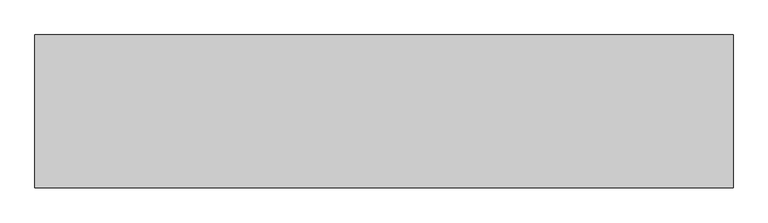
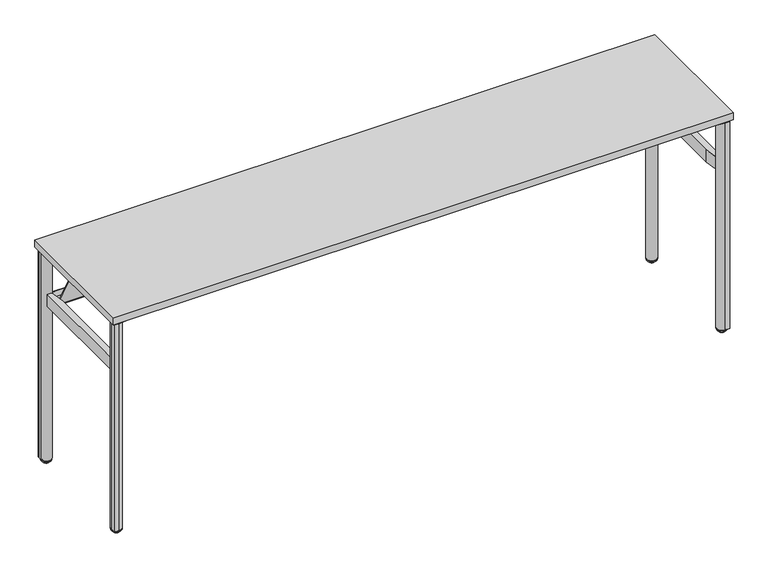
"""IFC4 building model written with IfcOpenShell, lengths in millimetres: furniture geometry."""

from ifc_helpers import new_model, si_unit, point, frame, frame_2d, origin, place, context, project, spatial, polyline, circle_curve, ellipse_curve, trimmed, segment, composite_curve, outline, extrude, source, transform, mapped, element, save
from ifc_brep_helpers import plane_surface, cylinder_surface, revolved_surface, advanced_brep


def furniture_6d40b69c(model_context):
    return source(origin(), model_context, "Body", "SolidModel", [
        extrude(outline(composite_curve([segment(polyline([(2292.1568228, -479.9277503), (2285.5453386, -404.358219)]), True, "CONTINUOUS"), segment(trimmed(circle_curve(frame_2d((2304.5228474, -402.6979004)), 19.05), [point((2285.5453386, -404.358219))], [point((2306.183166, -383.7203915))], False, "CARTESIAN"), True, "CONTINUOUS"), segment(polyline([(2306.183166, -383.7203915), (2383.8734847, -390.5174208)]), True, "CONTINUOUS"), segment(trimmed(circle_curve(frame_2d((2381.9818706, -412.1386457)), 21.7038146), [point((2383.8734847, -390.5174208))], [point((2397.328784, -396.7917301))], False, "CARTESIAN"), True, "CONTINUOUS"), segment(polyline([(2397.328784, -396.7917301), (2412.9562562, -412.4192001)]), True, "CONTINUOUS"), segment(trimmed(circle_curve(frame_2d((2391.9913269, -433.3841324)), 29.6488894), [point((2412.9562562, -412.4192001))], [point((2421.5273934, -430.8000615))], False, "CARTESIAN"), True, "CONTINUOUS"), segment(polyline([(2421.5273934, -430.8000615), (2427.9747643, -504.493852), (2427.9747643, -522.7148941)]), True, "CONTINUOUS"), segment(trimmed(circle_curve(frame_2d((2424.53984, -522.7148941)), 3.4349243), [point((2427.9747643, -522.7148941))], [point((2424.53984, -526.1498184))], False, "CARTESIAN"), True, "CONTINUOUS"), segment(polyline([(2424.53984, -526.1498184), (2406.3188055, -526.1498184), (2333.3868378, -519.7690978)]), True, "CONTINUOUS"), segment(trimmed(circle_curve(frame_2d((2336.1540328, -488.1399162)), 31.75), [point((2333.3868378, -519.7690978))], [point((2313.7033893, -510.5905533))], False, "CARTESIAN"), True, "CONTINUOUS"), segment(polyline([(2313.7033893, -510.5905533), (2300.1220271, -497.0091873)]), True, "CONTINUOUS"), segment(trimmed(circle_curve(frame_2d((2319.6048647, -477.5263553)), 27.5528892), [point((2300.1220271, -497.0091873))], [point((2292.1568228, -479.9277503))], False, "CARTESIAN"), True, "CONTINUOUS")], self_intersect=False)), frame((0.0, 0.0, 876.8852114), z_axis=(0.0, 0.0, 1.0), x_axis=(1.0, 0.0, 0.0)), (0.0, 0.0, 1.0), 7.924807),
        extrude(outline(composite_curve([segment(trimmed(circle_curve(frame_2d((115.624494, -477.5263553)), 27.5528892), [point((143.0725359, -479.9277503))], [point((135.1073315, -497.0091873))], False, "CARTESIAN"), True, "CONTINUOUS"), segment(polyline([(135.1073315, -497.0091873), (121.5259694, -510.5905533)]), True, "CONTINUOUS"), segment(trimmed(circle_curve(frame_2d((99.0753259, -488.1399162)), 31.75), [point((121.5259694, -510.5905533))], [point((101.8425208, -519.7690978))], False, "CARTESIAN"), True, "CONTINUOUS"), segment(polyline([(101.8425208, -519.7690978), (28.9105532, -526.1498184), (10.6895187, -526.1498184)]), True, "CONTINUOUS"), segment(trimmed(circle_curve(frame_2d((10.6895187, -522.7148941)), 3.4349243), [point((10.6895187, -526.1498184))], [point((7.2545944, -522.7148941))], False, "CARTESIAN"), True, "CONTINUOUS"), segment(polyline([(7.2545944, -522.7148941), (7.2545944, -504.493852), (13.7019653, -430.8000615)]), True, "CONTINUOUS"), segment(trimmed(circle_curve(frame_2d((43.2380317, -433.3841324)), 29.6488894), [point((13.7019653, -430.8000615))], [point((22.2731025, -412.4192001))], False, "CARTESIAN"), True, "CONTINUOUS"), segment(polyline([(22.2731025, -412.4192001), (37.9005747, -396.7917301)]), True, "CONTINUOUS"), segment(trimmed(circle_curve(frame_2d((53.2474881, -412.1386457)), 21.7038146), [point((37.9005747, -396.7917301))], [point((51.355874, -390.5174208))], False, "CARTESIAN"), True, "CONTINUOUS"), segment(polyline([(51.355874, -390.5174208), (129.0461926, -383.7203915)]), True, "CONTINUOUS"), segment(trimmed(circle_curve(frame_2d((130.7065113, -402.6979004)), 19.05), [point((129.0461926, -383.7203915))], [point((149.6840201, -404.358219))], False, "CARTESIAN"), True, "CONTINUOUS"), segment(polyline([(149.6840201, -404.358219), (143.0725359, -479.9277503)]), True, "CONTINUOUS")], self_intersect=False)), frame((0.0, 0.0, 876.8852114), z_axis=(0.0, 0.0, 1.0), x_axis=(1.0, 0.0, 0.0)), (0.0, 0.0, 1.0), 7.924807),
        extrude(outline(composite_curve([segment(trimmed(circle_curve(frame_2d((2319.6048647, -55.8736689)), 27.5528892), [point((2292.1568228, -53.4722739))], [point((2300.1220271, -36.3908369))], False, "CARTESIAN"), True, "CONTINUOUS"), segment(polyline([(2300.1220271, -36.3908369), (2313.7033893, -22.8094709)]), True, "CONTINUOUS"), segment(trimmed(circle_curve(frame_2d((2336.1540328, -45.260108)), 31.75), [point((2313.7033893, -22.8094709))], [point((2333.3868378, -13.6309264))], False, "CARTESIAN"), True, "CONTINUOUS"), segment(polyline([(2333.3868378, -13.6309264), (2406.3188055, -7.2502058), (2424.53984, -7.2502058)]), True, "CONTINUOUS"), segment(trimmed(circle_curve(frame_2d((2424.53984, -10.6851301)), 3.4349243), [point((2424.53984, -7.2502058))], [point((2427.9747643, -10.6851301))], False, "CARTESIAN"), True, "CONTINUOUS"), segment(polyline([(2427.9747643, -10.6851301), (2427.9747643, -28.9061722), (2421.5273934, -102.5999627)]), True, "CONTINUOUS"), segment(trimmed(circle_curve(frame_2d((2391.9913269, -100.0158919)), 29.6488894), [point((2421.5273934, -102.5999627))], [point((2412.9562562, -120.9808241))], False, "CARTESIAN"), True, "CONTINUOUS"), segment(polyline([(2412.9562562, -120.9808241), (2397.328784, -136.6082941)]), True, "CONTINUOUS"), segment(trimmed(circle_curve(frame_2d((2381.9818706, -121.2613785)), 21.7038146), [point((2397.328784, -136.6082941))], [point((2383.8734847, -142.8826034))], False, "CARTESIAN"), True, "CONTINUOUS"), segment(polyline([(2383.8734847, -142.8826034), (2306.183166, -149.6796327)]), True, "CONTINUOUS"), segment(trimmed(circle_curve(frame_2d((2304.5228474, -130.7021238)), 19.05), [point((2306.183166, -149.6796327))], [point((2285.5453386, -129.0418052))], False, "CARTESIAN"), True, "CONTINUOUS"), segment(polyline([(2285.5453386, -129.0418052), (2292.1568228, -53.4722739)]), True, "CONTINUOUS")], self_intersect=False)), frame((0.0, 0.0, 876.8852114), z_axis=(0.0, 0.0, 1.0), x_axis=(1.0, 0.0, 0.0)), (0.0, 0.0, 1.0), 7.924807),
        extrude(outline(composite_curve([segment(polyline([(143.0725359, -53.4722739), (149.6840201, -129.0418052)]), True, "CONTINUOUS"), segment(trimmed(circle_curve(frame_2d((130.7065113, -130.7021238)), 19.05), [point((149.6840201, -129.0418052))], [point((129.0461926, -149.6796327))], False, "CARTESIAN"), True, "CONTINUOUS"), segment(polyline([(129.0461926, -149.6796327), (51.355874, -142.8826034)]), True, "CONTINUOUS"), segment(trimmed(circle_curve(frame_2d((53.2474881, -121.2613785)), 21.7038146), [point((51.355874, -142.8826034))], [point((37.9005747, -136.6082941))], False, "CARTESIAN"), True, "CONTINUOUS"), segment(polyline([(37.9005747, -136.6082941), (22.2731025, -120.9808241)]), True, "CONTINUOUS"), segment(trimmed(circle_curve(frame_2d((43.2380317, -100.0158919)), 29.6488894), [point((22.2731025, -120.9808241))], [point((13.7019653, -102.5999627))], False, "CARTESIAN"), True, "CONTINUOUS"), segment(polyline([(13.7019653, -102.5999627), (7.2545944, -28.9061722), (7.2545944, -10.6851301)]), True, "CONTINUOUS"), segment(trimmed(circle_curve(frame_2d((10.6895187, -10.6851301)), 3.4349243), [point((7.2545944, -10.6851301))], [point((10.6895187, -7.2502058))], False, "CARTESIAN"), True, "CONTINUOUS"), segment(polyline([(10.6895187, -7.2502058), (28.9105532, -7.2502058), (101.8425208, -13.6309264)]), True, "CONTINUOUS"), segment(trimmed(circle_curve(frame_2d((99.0753259, -45.260108)), 31.75), [point((101.8425208, -13.6309264))], [point((121.5259694, -22.8094709))], False, "CARTESIAN"), True, "CONTINUOUS"), segment(polyline([(121.5259694, -22.8094709), (135.1073315, -36.3908369)]), True, "CONTINUOUS"), segment(trimmed(circle_curve(frame_2d((115.624494, -55.8736689)), 27.5528892), [point((135.1073315, -36.3908369))], [point((143.0725359, -53.4722739))], False, "CARTESIAN"), True, "CONTINUOUS")], self_intersect=False)), frame((0.0, 0.0, 876.8852114), z_axis=(0.0, 0.0, 1.0), x_axis=(1.0, 0.0, 0.0)), (0.0, 0.0, 1.0), 7.924807),
        extrude(outline(polyline([(2392.0459026, -13.0340961), (2392.0459026, -42.1423405), (46.3540974, -42.1423405), (46.3540974, -13.0340961), (2392.0459026, -13.0340961)])), frame((0.0, 0.0, 658.6141836), z_axis=(0.0, 0.0, 1.0), x_axis=(1.0, 0.0, 0.0)), (0.0, 0.0, 1.0), 2.0300117),
        extrude(outline(polyline([(2392.0459026, -13.0340961), (2292.1208473, -13.0340961), (2292.1208473, -11.0002063), (2392.0459026, -11.0002063), (2392.0459026, -13.0340961)])), frame((0.0, 0.0, 658.6141836), z_axis=(0.0, 0.0, 1.0), x_axis=(1.0, 0.0, 0.0)), (0.0, 0.0, 1.0), 25.4000242),
        extrude(outline(polyline([(143.1040921, -13.0340961), (46.3540974, -13.0340961), (46.3540974, -11.0002063), (143.1040921, -11.0002063), (143.1040921, -13.0340961)])), frame((0.0, 0.0, 658.6141836), z_axis=(0.0, 0.0, 1.0), x_axis=(1.0, 0.0, 0.0)), (0.0, 0.0, 1.0), 25.4000242),
        extrude(outline(polyline([(2231.427459, -13.0340961), (1255.1124882, -13.0340961), (1255.1124882, -11.0002063), (2231.427459, -11.0002063), (2231.427459, -13.0340961)])), frame((0.0, 0.0, 658.6141836), z_axis=(0.0, 0.0, 1.0), x_axis=(1.0, 0.0, 0.0)), (0.0, 0.0, 1.0), 22.9947931),
        extrude(outline(polyline([(1180.1124876, -13.0340961), (203.7974987, -13.0340961), (203.7974987, -11.0002063), (1180.1124876, -11.0002063), (1180.1124876, -13.0340961)])), frame((0.0, 0.0, 658.6141836), z_axis=(0.0, 0.0, 1.0), x_axis=(1.0, 0.0, 0.0)), (0.0, 0.0, 1.0), 22.9947931),
        extrude(outline(composite_curve([segment(polyline([(-70.8799912, 670.6281944), (-183.9643808, 883.3090199), (-204.4150118, 883.3090199), (-204.4150118, 884.8100183), (-183.0636133, 884.8100183), (-69.4765949, 671.1843836)]), True, "CONTINUOUS"), segment(trimmed(circle_curve(frame_2d((-47.0497371, 683.1089821)), 25.4), [point((-69.4765949, 671.1843836))], [point((-47.0497371, 657.7089821))], True, "CARTESIAN"), True, "CONTINUOUS"), segment(polyline([(-47.0497371, 657.7089821), (-28.0002031, 657.7089821), (-28.0002031, 656.209001), (-46.8824246, 656.209001)]), True, "CONTINUOUS"), segment(trimmed(circle_curve(frame_2d((-46.8824246, 683.3879256)), 27.1789246), [point((-46.8824246, 656.209001))], [point((-70.8799912, 670.6281944))], False, "CARTESIAN"), True, "CONTINUOUS")], self_intersect=False)), frame((46.3540974, 0.0, 0.0), z_axis=(1.0, 0.0, 0.0), x_axis=(0.0, 1.0, 0.0)), (0.0, 0.0, 1.0), 2345.6918052),
        extrude(outline(polyline([(2417.4459034, -47.9435406), (2417.4459034, -485.4564594), (2400.221242, -485.4564594), (2392.0459026, -424.9957325), (2392.0459026, -108.4254144), (2400.2241015, -47.9435406), (2417.4459034, -47.9435406)])), frame((0.0, 0.0, 658.6141836), z_axis=(0.0, 0.0, 1.0), x_axis=(1.0, 0.0, 0.0)), (0.0, 0.0, 1.0), 50.8),
        extrude(outline(polyline([(20.9540966, -47.9435406), (38.1758985, -47.9435406), (46.3540974, -108.4254144), (46.3540974, -424.9957325), (38.178758, -485.4564594), (20.9540966, -485.4564594), (20.9540966, -47.9435406)])), frame((0.0, 0.0, 658.6141836), z_axis=(0.0, 0.0, 1.0), x_axis=(1.0, 0.0, 0.0)), (0.0, 0.0, 1.0), 50.8),
        advanced_brep(
        [(2407.2247953, -485.4197975, 12.8144714), (2407.2247953, -525.3711213, 12.8144714), (2407.2247953, -520.426826, 7.8701761), (2407.2247953, -490.3640928, 7.8701761), (2407.2247953, -519.4011418, 7.8701761), (2407.2247953, -491.389777, 7.8701761), (2407.2247953, -519.4011418, 7.0593297), (2407.2247953, -491.389777, 7.0593297), (2407.2247953, -517.5595987, 2.623811), (2407.2247953, -493.23132, 2.623811), (2407.2247953, -515.1818837, 0.2460959), (2407.2247953, -495.6090351, 0.2460959), (2407.2247953, -514.2634411, 0.0), (2407.2247953, -496.5274776, 0.0), (2407.2247953, -505.3954594, 0.0), (2407.2247953, -505.3954594, 15.24), (2407.2247953, -525.3711213, 15.24), (2407.2247953, -485.4197975, 15.24)],
        [
            (0, 1, circle_curve(frame((2407.2247953, -505.3954594, 12.8144714), z_axis=(0.0, 0.0, -1.0), x_axis=(0.0, -1.0, 0.0)), 19.9756619)),
            (1, 2, circle_curve(frame((2407.2247953, -520.426826, 12.8144714), z_axis=(1.0, 0.0, 0.0), x_axis=(0.0, 1.0, 0.0)), 4.9442953)),
            (2, 3, circle_curve(frame((2407.2247953, -505.3954594, 7.8701761), z_axis=(0.0, 0.0, 1.0), x_axis=(0.0, -1.0, 0.0)), 15.0313666)),
            (3, 0, circle_curve(frame((2407.2247953, -490.3640928, 12.8144714), z_axis=(1.0, 0.0, 0.0), x_axis=(0.0, -1.0, 0.0)), 4.9442953)),
            (1, 0, circle_curve(frame((2407.2247953, -505.3954594, 12.8144714), z_axis=(0.0, 0.0, -1.0), x_axis=(0.0, -1.0, 0.0)), 19.9756619)),
            (3, 2, circle_curve(frame((2407.2247953, -505.3954594, 7.8701761), z_axis=(0.0, 0.0, 1.0), x_axis=(0.0, -1.0, 0.0)), 15.0313666)),
            (2, 4),
            (4, 5, circle_curve(frame((2407.2247953, -505.3954594, 7.8701761), z_axis=(0.0, 0.0, 1.0), x_axis=(0.0, -1.0, 0.0)), 14.0056824)),
            (5, 3),
            (5, 4, circle_curve(frame((2407.2247953, -505.3954594, 7.8701761), z_axis=(0.0, 0.0, 1.0), x_axis=(0.0, -1.0, 0.0)), 14.0056824)),
            (4, 6),
            (6, 7, circle_curve(frame((2407.2247953, -505.3954594, 7.0593297), z_axis=(0.0, 0.0, 1.0), x_axis=(0.0, -1.0, 0.0)), 14.0056824)),
            (7, 5),
            (7, 6, circle_curve(frame((2407.2247953, -505.3954594, 7.0593297), z_axis=(0.0, 0.0, 1.0), x_axis=(0.0, -1.0, 0.0)), 14.0056824)),
            (6, 8),
            (8, 9, circle_curve(frame((2407.2247953, -505.3954594, 2.623811), z_axis=(0.0, 0.0, 1.0), x_axis=(0.0, -1.0, 0.0)), 12.1641393)),
            (9, 7),
            (9, 8, circle_curve(frame((2407.2247953, -505.3954594, 2.623811), z_axis=(0.0, 0.0, 1.0), x_axis=(0.0, -1.0, 0.0)), 12.1641393)),
            (8, 10),
            (10, 11, circle_curve(frame((2407.2247953, -505.3954594, 0.2460959), z_axis=(0.0, 0.0, 1.0), x_axis=(0.0, -1.0, 0.0)), 9.7864243)),
            (11, 9),
            (11, 10, circle_curve(frame((2407.2247953, -505.3954594, 0.2460959), z_axis=(0.0, 0.0, 1.0), x_axis=(0.0, -1.0, 0.0)), 9.7864243)),
            (10, 12),
            (12, 13, circle_curve(frame((2407.2247953, -505.3954594, 0.0), z_axis=(0.0, 0.0, 1.0), x_axis=(0.0, -1.0, 0.0)), 8.8679818)),
            (13, 11),
            (13, 12, circle_curve(frame((2407.2247953, -505.3954594, 0.0), z_axis=(0.0, 0.0, 1.0), x_axis=(0.0, -1.0, 0.0)), 8.8679818)),
            (12, 14),
            (14, 13),
            (15, 16),
            (16, 17, circle_curve(frame((2407.2247953, -505.3954594, 15.24), z_axis=(0.0, 0.0, 1.0), x_axis=(0.0, -1.0, 0.0)), 19.9756619)),
            (17, 15),
            (17, 16, circle_curve(frame((2407.2247953, -505.3954594, 15.24), z_axis=(0.0, 0.0, 1.0), x_axis=(0.0, -1.0, 0.0)), 19.9756619)),
            (16, 1),
            (0, 17),
        ],
        [
            revolved_surface(trimmed(ellipse_curve(frame((2407.2247953, -520.426826, 12.8144714), z_axis=(-1.0, 0.0, 0.0), x_axis=(0.0, 1.0, 0.0)), 4.9442953, 4.9442953), [point((2407.2247953, -520.426826, 7.8701761))], [point((2407.2247953, -525.3711213, 12.8144714))], True, "CARTESIAN"), (2407.2247953, -505.3954594, 40.64), (0.0, 0.0, 1.0)),
            plane_surface(frame((2407.2247953, -505.3954594, 7.8701761), z_axis=(0.0, 0.0, -1.0), x_axis=(0.0, -1.0, 0.0))),
            cylinder_surface(frame((2407.2247953, -505.3954594, 40.64), z_axis=(0.0, 0.0, 1.0), x_axis=(0.0, -1.0, 0.0)), 14.0056824),
            revolved_surface(polyline([(2407.2247953, -517.5595987, 2.623811), (2407.2247953, -519.4011418, 7.0593297)]), (2407.2247953, -505.3954594, 40.64), (0.0, 0.0, 1.0)),
            revolved_surface(polyline([(2407.2247953, -515.1818837, 0.2460959), (2407.2247953, -517.5595987, 2.623811)]), (2407.2247953, -505.3954594, 40.64), (0.0, 0.0, 1.0)),
            revolved_surface(polyline([(2407.2247953, -514.2634411, 0.0), (2407.2247953, -515.1818837, 0.2460959)]), (2407.2247953, -505.3954594, 40.64), (0.0, 0.0, 1.0)),
            plane_surface(frame((2407.2247953, -505.3954594, 0.0), z_axis=(0.0, 0.0, -1.0), x_axis=(0.0, -1.0, 0.0))),
            plane_surface(frame((2407.2247953, -505.3954594, 15.24), z_axis=(0.0, 0.0, 1.0), x_axis=(0.0, -1.0, 0.0))),
            cylinder_surface(frame((2407.2247953, -505.3954594, 40.64), z_axis=(0.0, 0.0, 1.0), x_axis=(0.0, -1.0, 0.0)), 19.9756619),
        ],
        [
            (0, [[1, 2, 3, 4]]),
            (0, [[5, -4, 6, -2]]),
            (1, [[-3, 7, 8, 9]]),
            (1, [[-6, -9, 10, -7]]),
            (2, [[-8, 11, 12, 13]]),
            (2, [[-10, -13, 14, -11]]),
            (3, [[-12, 15, 16, 17]]),
            (3, [[-14, -17, 18, -15]]),
            (4, [[-16, 19, 20, 21]]),
            (4, [[-18, -21, 22, -19]]),
            (5, [[-20, 23, 24, 25]]),
            (5, [[-22, -25, 26, -23]]),
            (6, [[-24, 27, 28]]),
            (6, [[-26, -28, -27]]),
            (7, [[29, 30, 31]]),
            (7, [[-31, 32, -29]]),
            (8, [[-30, 33, -1, 34]]),
            (8, [[-32, -34, -5, -33]]),
        ],
    ),
        advanced_brep(
        [(27.9796875, -490.3640928, 7.8701761), (27.9796875, -520.426826, 7.8701761), (27.9796875, -525.3711213, 12.8144714), (27.9796875, -485.4197975, 12.8144714), (27.9796875, -491.389777, 7.8701761), (27.9796875, -519.4011418, 7.8701761), (27.9796875, -491.389777, 7.0593297), (27.9796875, -519.4011418, 7.0593297), (27.9796875, -493.23132, 2.623811), (27.9796875, -517.5595987, 2.623811), (27.9796875, -495.6090351, 0.2460959), (27.9796875, -515.1818837, 0.2460959), (27.9796875, -496.5274776, 0.0), (27.9796875, -514.2634411, 0.0), (27.9796875, -505.3954594, 0.0), (27.9796875, -485.4197975, 15.24), (27.9796875, -525.3711213, 15.24), (27.9796875, -505.3954594, 15.24)],
        [
            (0, 1, circle_curve(frame((27.9796875, -505.3954594, 7.8701761), z_axis=(0.0, 0.0, 1.0), x_axis=(0.0, -1.0, 0.0)), 15.0313666)),
            (1, 2, circle_curve(frame((27.9796875, -520.426826, 12.8144714), z_axis=(-1.0, 0.0, 0.0), x_axis=(0.0, 1.0, 0.0)), 4.9442953)),
            (2, 3, circle_curve(frame((27.9796875, -505.3954594, 12.8144714), z_axis=(0.0, 0.0, -1.0), x_axis=(0.0, -1.0, 0.0)), 19.9756619)),
            (3, 0, circle_curve(frame((27.9796875, -490.3640928, 12.8144714), z_axis=(-1.0, 0.0, 0.0), x_axis=(0.0, -1.0, 0.0)), 4.9442953)),
            (1, 0, circle_curve(frame((27.9796875, -505.3954594, 7.8701761), z_axis=(0.0, 0.0, 1.0), x_axis=(0.0, -1.0, 0.0)), 15.0313666)),
            (3, 2, circle_curve(frame((27.9796875, -505.3954594, 12.8144714), z_axis=(0.0, 0.0, -1.0), x_axis=(0.0, -1.0, 0.0)), 19.9756619)),
            (4, 5, circle_curve(frame((27.9796875, -505.3954594, 7.8701761), z_axis=(0.0, 0.0, 1.0), x_axis=(0.0, -1.0, 0.0)), 14.0056824)),
            (5, 1),
            (0, 4),
            (5, 4, circle_curve(frame((27.9796875, -505.3954594, 7.8701761), z_axis=(0.0, 0.0, 1.0), x_axis=(0.0, -1.0, 0.0)), 14.0056824)),
            (6, 7, circle_curve(frame((27.9796875, -505.3954594, 7.0593297), z_axis=(0.0, 0.0, 1.0), x_axis=(0.0, -1.0, 0.0)), 14.0056824)),
            (7, 5),
            (4, 6),
            (7, 6, circle_curve(frame((27.9796875, -505.3954594, 7.0593297), z_axis=(0.0, 0.0, 1.0), x_axis=(0.0, -1.0, 0.0)), 14.0056824)),
            (8, 9, circle_curve(frame((27.9796875, -505.3954594, 2.623811), z_axis=(0.0, 0.0, 1.0), x_axis=(0.0, -1.0, 0.0)), 12.1641393)),
            (9, 7),
            (6, 8),
            (9, 8, circle_curve(frame((27.9796875, -505.3954594, 2.623811), z_axis=(0.0, 0.0, 1.0), x_axis=(0.0, -1.0, 0.0)), 12.1641393)),
            (10, 11, circle_curve(frame((27.9796875, -505.3954594, 0.2460959), z_axis=(0.0, 0.0, 1.0), x_axis=(0.0, -1.0, 0.0)), 9.7864243)),
            (11, 9),
            (8, 10),
            (11, 10, circle_curve(frame((27.9796875, -505.3954594, 0.2460959), z_axis=(0.0, 0.0, 1.0), x_axis=(0.0, -1.0, 0.0)), 9.7864243)),
            (12, 13, circle_curve(frame((27.9796875, -505.3954594, 0.0), z_axis=(0.0, 0.0, 1.0), x_axis=(0.0, -1.0, 0.0)), 8.8679818)),
            (13, 11),
            (10, 12),
            (13, 12, circle_curve(frame((27.9796875, -505.3954594, 0.0), z_axis=(0.0, 0.0, 1.0), x_axis=(0.0, -1.0, 0.0)), 8.8679818)),
            (14, 13),
            (12, 14),
            (15, 16, circle_curve(frame((27.9796875, -505.3954594, 15.24), z_axis=(0.0, 0.0, 1.0), x_axis=(0.0, -1.0, 0.0)), 19.9756619)),
            (16, 17),
            (17, 15),
            (16, 15, circle_curve(frame((27.9796875, -505.3954594, 15.24), z_axis=(0.0, 0.0, 1.0), x_axis=(0.0, -1.0, 0.0)), 19.9756619)),
            (2, 16),
            (15, 3),
        ],
        [
            revolved_surface(trimmed(ellipse_curve(frame((27.9796875, -520.426826, 12.8144714), z_axis=(1.0, 0.0, 0.0), x_axis=(0.0, 1.0, 0.0)), 4.9442953, 4.9442953), [point((27.9796875, -525.3711213, 12.8144714))], [point((27.9796875, -520.426826, 7.8701761))], True, "CARTESIAN"), (27.9796875, -505.3954594, 40.64), (0.0, 0.0, -1.0)),
            plane_surface(frame((27.9796875, -505.3954594, 7.8701761), z_axis=(0.0, 0.0, -1.0), x_axis=(0.0, -1.0, 0.0))),
            cylinder_surface(frame((27.9796875, -505.3954594, 40.64), z_axis=(0.0, 0.0, -1.0), x_axis=(0.0, -1.0, 0.0)), 14.0056824),
            revolved_surface(polyline([(27.9796875, -519.4011418, 7.0593297), (27.9796875, -517.5595987, 2.623811)]), (27.9796875, -505.3954594, 40.64), (0.0, 0.0, -1.0)),
            revolved_surface(polyline([(27.9796875, -517.5595987, 2.623811), (27.9796875, -515.1818837, 0.2460959)]), (27.9796875, -505.3954594, 40.64), (0.0, 0.0, -1.0)),
            revolved_surface(polyline([(27.9796875, -515.1818837, 0.2460959), (27.9796875, -514.2634411, 0.0)]), (27.9796875, -505.3954594, 40.64), (0.0, 0.0, -1.0)),
            plane_surface(frame((27.9796875, -505.3954594, 0.0), z_axis=(0.0, 0.0, -1.0), x_axis=(0.0, -1.0, 0.0))),
            plane_surface(frame((27.9796875, -505.3954594, 15.24), z_axis=(0.0, 0.0, 1.0), x_axis=(0.0, -1.0, 0.0))),
            cylinder_surface(frame((27.9796875, -505.3954594, 40.64), z_axis=(0.0, 0.0, -1.0), x_axis=(0.0, -1.0, 0.0)), 19.9756619),
        ],
        [
            (0, [[1, 2, 3, 4]]),
            (0, [[5, -4, 6, -2]]),
            (1, [[7, 8, -1, 9]]),
            (1, [[10, -9, -5, -8]]),
            (2, [[11, 12, -7, 13]]),
            (2, [[14, -13, -10, -12]]),
            (3, [[15, 16, -11, 17]]),
            (3, [[18, -17, -14, -16]]),
            (4, [[19, 20, -15, 21]]),
            (4, [[22, -21, -18, -20]]),
            (5, [[23, 24, -19, 25]]),
            (5, [[26, -25, -22, -24]]),
            (6, [[27, -23, 28]]),
            (6, [[-28, -26, -27]]),
            (7, [[29, 30, 31]]),
            (7, [[32, -31, -30]]),
            (8, [[-3, 33, -29, 34]]),
            (8, [[-6, -34, -32, -33]]),
        ],
    ),
        advanced_brep(
        [(2387.2120074, -27.9300781, 12.7759073), (2427.2127953, -27.9300781, 12.7759073), (2422.3070641, -27.9300781, 7.8701761), (2392.1177386, -27.9300781, 7.8701761), (2421.2840387, -27.9300781, 7.8701761), (2393.140764, -27.9300781, 7.8701761), (2421.2840387, -27.9300781, 7.0593297), (2393.140764, -27.9300781, 7.0593297), (2419.4012727, -27.9300781, 2.623811), (2395.02353, -27.9300781, 2.623811), (2417.0235576, -27.9300781, 0.2460959), (2397.401245, -27.9300781, 0.2460959), (2416.1051151, -27.9300781, 0.0), (2398.3196875, -27.9300781, 0.0), (2407.2124013, -27.9300781, 0.0), (2407.2124013, -27.9300781, 15.24), (2427.2127953, -27.9300781, 15.24), (2387.2120074, -27.9300781, 15.24)],
        [
            (0, 1, circle_curve(frame((2407.2124013, -27.9300781, 12.7759073), z_axis=(0.0, 0.0, -1.0), x_axis=(1.0, 0.0, 0.0)), 20.0003939)),
            (1, 2, circle_curve(frame((2422.3070641, -27.9300781, 12.7759073), z_axis=(0.0, 1.0, 0.0), x_axis=(-1.0, 0.0, 0.0)), 4.9057312)),
            (2, 3, circle_curve(frame((2407.2124013, -27.9300781, 7.8701761), z_axis=(0.0, 0.0, 1.0), x_axis=(1.0, 0.0, 0.0)), 15.0946628)),
            (3, 0, circle_curve(frame((2392.1177386, -27.9300781, 12.7759073), z_axis=(0.0, 1.0, 0.0), x_axis=(1.0, 0.0, 0.0)), 4.9057312)),
            (1, 0, circle_curve(frame((2407.2124013, -27.9300781, 12.7759073), z_axis=(0.0, 0.0, -1.0), x_axis=(1.0, 0.0, 0.0)), 20.0003939)),
            (3, 2, circle_curve(frame((2407.2124013, -27.9300781, 7.8701761), z_axis=(0.0, 0.0, 1.0), x_axis=(1.0, 0.0, 0.0)), 15.0946628)),
            (2, 4),
            (4, 5, circle_curve(frame((2407.2124013, -27.9300781, 7.8701761), z_axis=(0.0, 0.0, 1.0), x_axis=(1.0, 0.0, 0.0)), 14.0716373)),
            (5, 3),
            (5, 4, circle_curve(frame((2407.2124013, -27.9300781, 7.8701761), z_axis=(0.0, 0.0, 1.0), x_axis=(1.0, 0.0, 0.0)), 14.0716373)),
            (4, 6),
            (6, 7, circle_curve(frame((2407.2124013, -27.9300781, 7.0593297), z_axis=(0.0, 0.0, 1.0), x_axis=(1.0, 0.0, 0.0)), 14.0716373)),
            (7, 5),
            (7, 6, circle_curve(frame((2407.2124013, -27.9300781, 7.0593297), z_axis=(0.0, 0.0, 1.0), x_axis=(1.0, 0.0, 0.0)), 14.0716373)),
            (6, 8),
            (8, 9, circle_curve(frame((2407.2124013, -27.9300781, 2.623811), z_axis=(0.0, 0.0, 1.0), x_axis=(1.0, 0.0, 0.0)), 12.1888713)),
            (9, 7),
            (9, 8, circle_curve(frame((2407.2124013, -27.9300781, 2.623811), z_axis=(0.0, 0.0, 1.0), x_axis=(1.0, 0.0, 0.0)), 12.1888713)),
            (8, 10),
            (10, 11, circle_curve(frame((2407.2124013, -27.9300781, 0.2460959), z_axis=(0.0, 0.0, 1.0), x_axis=(1.0, 0.0, 0.0)), 9.8111563)),
            (11, 9),
            (11, 10, circle_curve(frame((2407.2124013, -27.9300781, 0.2460959), z_axis=(0.0, 0.0, 1.0), x_axis=(1.0, 0.0, 0.0)), 9.8111563)),
            (10, 12),
            (12, 13, circle_curve(frame((2407.2124013, -27.9300781, 0.0), z_axis=(0.0, 0.0, 1.0), x_axis=(1.0, 0.0, 0.0)), 8.8927138)),
            (13, 11),
            (13, 12, circle_curve(frame((2407.2124013, -27.9300781, 0.0), z_axis=(0.0, 0.0, 1.0), x_axis=(1.0, 0.0, 0.0)), 8.8927138)),
            (12, 14),
            (14, 13),
            (15, 16),
            (16, 17, circle_curve(frame((2407.2124013, -27.9300781, 15.24), z_axis=(0.0, 0.0, 1.0), x_axis=(1.0, 0.0, 0.0)), 20.0003939)),
            (17, 15),
            (17, 16, circle_curve(frame((2407.2124013, -27.9300781, 15.24), z_axis=(0.0, 0.0, 1.0), x_axis=(1.0, 0.0, 0.0)), 20.0003939)),
            (16, 1),
            (0, 17),
        ],
        [
            revolved_surface(trimmed(ellipse_curve(frame((2422.3070641, -27.9300781, 12.7759073), z_axis=(0.0, -1.0, 0.0), x_axis=(-1.0, 0.0, 0.0)), 4.9057312, 4.9057312), [point((2422.3070641, -27.9300781, 7.8701761))], [point((2427.2127953, -27.9300781, 12.7759073))], True, "CARTESIAN"), (2407.2124013, -27.9300781, -11.2120944), (0.0, 0.0, 1.0)),
            plane_surface(frame((2407.2124013, -27.9300781, 7.8701761), z_axis=(0.0, 0.0, -1.0), x_axis=(1.0, 0.0, 0.0))),
            cylinder_surface(frame((2407.2124013, -27.9300781, -11.2120944), z_axis=(0.0, 0.0, 1.0), x_axis=(1.0, 0.0, 0.0)), 14.0716373),
            revolved_surface(polyline([(2419.4012727, -27.9300781, 2.623811), (2421.2840387, -27.9300781, 7.0593297)]), (2407.2124013, -27.9300781, -11.2120944), (0.0, 0.0, 1.0)),
            revolved_surface(polyline([(2417.0235576, -27.9300781, 0.2460959), (2419.4012727, -27.9300781, 2.623811)]), (2407.2124013, -27.9300781, -11.2120944), (0.0, 0.0, 1.0)),
            revolved_surface(polyline([(2416.1051151, -27.9300781, 0.0), (2417.0235576, -27.9300781, 0.2460959)]), (2407.2124013, -27.9300781, -11.2120944), (0.0, 0.0, 1.0)),
            plane_surface(frame((2407.2124013, -27.9300781, 0.0), z_axis=(0.0, 0.0, -1.0), x_axis=(1.0, 0.0, 0.0))),
            plane_surface(frame((2407.2124013, -27.9300781, 15.24), z_axis=(0.0, 0.0, 1.0), x_axis=(1.0, 0.0, 0.0))),
            cylinder_surface(frame((2407.2124013, -27.9300781, -11.2120944), z_axis=(0.0, 0.0, 1.0), x_axis=(1.0, 0.0, 0.0)), 20.0003939),
        ],
        [
            (0, [[1, 2, 3, 4]]),
            (0, [[5, -4, 6, -2]]),
            (1, [[-3, 7, 8, 9]]),
            (1, [[-6, -9, 10, -7]]),
            (2, [[-8, 11, 12, 13]]),
            (2, [[-10, -13, 14, -11]]),
            (3, [[-12, 15, 16, 17]]),
            (3, [[-14, -17, 18, -15]]),
            (4, [[-16, 19, 20, 21]]),
            (4, [[-18, -21, 22, -19]]),
            (5, [[-20, 23, 24, 25]]),
            (5, [[-22, -25, 26, -23]]),
            (6, [[-24, 27, 28]]),
            (6, [[-26, -28, -27]]),
            (7, [[29, 30, 31]]),
            (7, [[-31, 32, -29]]),
            (8, [[-30, 33, -1, 34]]),
            (8, [[-32, -34, -5, -33]]),
        ],
    ),
        advanced_brep(
        [(43.0948591, -27.9300781, 7.8701761), (12.9055336, -27.9300781, 7.8701761), (7.9998024, -27.9300781, 12.7759073), (48.0005903, -27.9300781, 12.7759073), (42.0718337, -27.9300781, 7.8701761), (13.928559, -27.9300781, 7.8701761), (42.0718337, -27.9300781, 7.0593297), (13.928559, -27.9300781, 7.0593297), (40.1890677, -27.9300781, 2.623811), (15.811325, -27.9300781, 2.623811), (37.8113526, -27.9300781, 0.2460959), (18.18904, -27.9300781, 0.2460959), (36.8929101, -27.9300781, 0.0), (19.1074826, -27.9300781, 0.0), (28.0001963, -27.9300781, 0.0), (48.0005903, -27.9300781, 15.24), (7.9998024, -27.9300781, 15.24), (28.0001963, -27.9300781, 15.24)],
        [
            (0, 1, circle_curve(frame((28.0001963, -27.9300781, 7.8701761), z_axis=(0.0, 0.0, 1.0), x_axis=(-1.0, 0.0, 0.0)), 15.0946628)),
            (1, 2, circle_curve(frame((12.9055336, -27.9300781, 12.7759073), z_axis=(0.0, 1.0, 0.0), x_axis=(1.0, 0.0, 0.0)), 4.9057312)),
            (2, 3, circle_curve(frame((28.0001963, -27.9300781, 12.7759073), z_axis=(0.0, 0.0, -1.0), x_axis=(-1.0, 0.0, 0.0)), 20.0003939)),
            (3, 0, circle_curve(frame((43.0948591, -27.9300781, 12.7759073), z_axis=(0.0, 1.0, 0.0), x_axis=(-1.0, 0.0, 0.0)), 4.9057312)),
            (1, 0, circle_curve(frame((28.0001963, -27.9300781, 7.8701761), z_axis=(0.0, 0.0, 1.0), x_axis=(-1.0, 0.0, 0.0)), 15.0946628)),
            (3, 2, circle_curve(frame((28.0001963, -27.9300781, 12.7759073), z_axis=(0.0, 0.0, -1.0), x_axis=(-1.0, 0.0, 0.0)), 20.0003939)),
            (4, 5, circle_curve(frame((28.0001963, -27.9300781, 7.8701761), z_axis=(0.0, 0.0, 1.0), x_axis=(-1.0, 0.0, 0.0)), 14.0716373)),
            (5, 1),
            (0, 4),
            (5, 4, circle_curve(frame((28.0001963, -27.9300781, 7.8701761), z_axis=(0.0, 0.0, 1.0), x_axis=(-1.0, 0.0, 0.0)), 14.0716373)),
            (6, 7, circle_curve(frame((28.0001963, -27.9300781, 7.0593297), z_axis=(0.0, 0.0, 1.0), x_axis=(-1.0, 0.0, 0.0)), 14.0716373)),
            (7, 5),
            (4, 6),
            (7, 6, circle_curve(frame((28.0001963, -27.9300781, 7.0593297), z_axis=(0.0, 0.0, 1.0), x_axis=(-1.0, 0.0, 0.0)), 14.0716373)),
            (8, 9, circle_curve(frame((28.0001963, -27.9300781, 2.623811), z_axis=(0.0, 0.0, 1.0), x_axis=(-1.0, 0.0, 0.0)), 12.1888713)),
            (9, 7),
            (6, 8),
            (9, 8, circle_curve(frame((28.0001963, -27.9300781, 2.623811), z_axis=(0.0, 0.0, 1.0), x_axis=(-1.0, 0.0, 0.0)), 12.1888713)),
            (10, 11, circle_curve(frame((28.0001963, -27.9300781, 0.2460959), z_axis=(0.0, 0.0, 1.0), x_axis=(-1.0, 0.0, 0.0)), 9.8111563)),
            (11, 9),
            (8, 10),
            (11, 10, circle_curve(frame((28.0001963, -27.9300781, 0.2460959), z_axis=(0.0, 0.0, 1.0), x_axis=(-1.0, 0.0, 0.0)), 9.8111563)),
            (12, 13, circle_curve(frame((28.0001963, -27.9300781, 0.0), z_axis=(0.0, 0.0, 1.0), x_axis=(-1.0, 0.0, 0.0)), 8.8927138)),
            (13, 11),
            (10, 12),
            (13, 12, circle_curve(frame((28.0001963, -27.9300781, 0.0), z_axis=(0.0, 0.0, 1.0), x_axis=(-1.0, 0.0, 0.0)), 8.8927138)),
            (14, 13),
            (12, 14),
            (15, 16, circle_curve(frame((28.0001963, -27.9300781, 15.24), z_axis=(0.0, 0.0, 1.0), x_axis=(-1.0, 0.0, 0.0)), 20.0003939)),
            (16, 17),
            (17, 15),
            (16, 15, circle_curve(frame((28.0001963, -27.9300781, 15.24), z_axis=(0.0, 0.0, 1.0), x_axis=(-1.0, 0.0, 0.0)), 20.0003939)),
            (2, 16),
            (15, 3),
        ],
        [
            revolved_surface(trimmed(ellipse_curve(frame((12.9055336, -27.9300781, 12.7759073), z_axis=(0.0, -1.0, 0.0), x_axis=(1.0, 0.0, 0.0)), 4.9057312, 4.9057312), [point((7.9998024, -27.9300781, 12.7759073))], [point((12.9055336, -27.9300781, 7.8701761))], True, "CARTESIAN"), (28.0001963, -27.9300781, -11.2120944), (0.0, 0.0, -1.0)),
            plane_surface(frame((28.0001963, -27.9300781, 7.8701761), z_axis=(0.0, 0.0, -1.0), x_axis=(-1.0, 0.0, 0.0))),
            cylinder_surface(frame((28.0001963, -27.9300781, -11.2120944), z_axis=(0.0, 0.0, -1.0), x_axis=(-1.0, 0.0, 0.0)), 14.0716373),
            revolved_surface(polyline([(13.928559, -27.9300781, 7.0593297), (15.811325, -27.9300781, 2.623811)]), (28.0001963, -27.9300781, -11.2120944), (0.0, 0.0, -1.0)),
            revolved_surface(polyline([(15.811325, -27.9300781, 2.623811), (18.18904, -27.9300781, 0.2460959)]), (28.0001963, -27.9300781, -11.2120944), (0.0, 0.0, -1.0)),
            revolved_surface(polyline([(18.18904, -27.9300781, 0.2460959), (19.1074826, -27.9300781, 0.0)]), (28.0001963, -27.9300781, -11.2120944), (0.0, 0.0, -1.0)),
            plane_surface(frame((28.0001963, -27.9300781, 0.0), z_axis=(0.0, 0.0, -1.0), x_axis=(-1.0, 0.0, 0.0))),
            plane_surface(frame((28.0001963, -27.9300781, 15.24), z_axis=(0.0, 0.0, 1.0), x_axis=(-1.0, 0.0, 0.0))),
            cylinder_surface(frame((28.0001963, -27.9300781, -11.2120944), z_axis=(0.0, 0.0, -1.0), x_axis=(-1.0, 0.0, 0.0)), 20.0003939),
        ],
        [
            (0, [[1, 2, 3, 4]]),
            (0, [[5, -4, 6, -2]]),
            (1, [[7, 8, -1, 9]]),
            (1, [[10, -9, -5, -8]]),
            (2, [[11, 12, -7, 13]]),
            (2, [[14, -13, -10, -12]]),
            (3, [[15, 16, -11, 17]]),
            (3, [[18, -17, -14, -16]]),
            (4, [[19, 20, -15, 21]]),
            (4, [[22, -21, -18, -20]]),
            (5, [[23, 24, -19, 25]]),
            (5, [[26, -25, -22, -24]]),
            (6, [[27, -23, 28]]),
            (6, [[-28, -26, -27]]),
            (7, [[29, 30, 31]]),
            (7, [[32, -31, -30]]),
            (8, [[-3, 33, -29, 34]]),
            (8, [[-6, -34, -32, -33]]),
        ],
    ),
        extrude(outline(composite_curve([segment(polyline([(28.0001963, -525.3344594), (8.0611963, -525.3344594), (8.0611963, -505.3954594)]), True, "CONTINUOUS"), segment(trimmed(circle_curve(frame_2d((28.0001963, -505.3954594)), 19.939), [point((8.0611963, -505.3954594))], [point((28.0001963, -525.3344594))], False, "CARTESIAN"), True, "CONTINUOUS")], self_intersect=False)), frame((0.0, 0.0, 15.24), z_axis=(0.0, 0.0, 1.0), x_axis=(1.0, 0.0, 0.0)), (0.0, 0.0, 1.0), 869.5700183),
        extrude(outline(composite_curve([segment(trimmed(circle_curve(frame_2d((2407.2247953, -505.3954594)), 19.939), [point((2407.2247953, -525.3344594))], [point((2427.1637953, -505.3954594))], False, "CARTESIAN"), True, "CONTINUOUS"), segment(polyline([(2427.1637953, -505.3954594), (2427.1637953, -525.3344594), (2407.2247953, -525.3344594)]), True, "CONTINUOUS")], self_intersect=False)), frame((0.0, 0.0, 15.24), z_axis=(0.0, 0.0, 1.0), x_axis=(1.0, 0.0, 0.0)), (0.0, 0.0, 1.0), 869.5700183),
        extrude(outline(composite_curve([segment(polyline([(2407.2247953, -8.0612031), (2424.5100889, -8.0612031)]), True, "CONTINUOUS"), segment(trimmed(circle_curve(frame_2d((2424.5100889, -10.7149096)), 2.6537064), [point((2424.5100889, -8.0612031))], [point((2427.1637953, -10.7149096))], False, "CARTESIAN"), True, "CONTINUOUS"), segment(polyline([(2427.1637953, -10.7149096), (2427.1637953, -28.0002031)]), True, "CONTINUOUS"), segment(trimmed(circle_curve(frame_2d((2407.2247953, -28.0002031)), 19.939), [point((2427.1637953, -28.0002031))], [point((2407.2247953, -8.0612031))], False, "CARTESIAN"), True, "CONTINUOUS")], self_intersect=False)), frame((0.0, 0.0, 15.24), z_axis=(0.0, 0.0, 1.0), x_axis=(1.0, 0.0, 0.0)), (0.0, 0.0, 1.0), 869.5700183),
        extrude(outline(composite_curve([segment(trimmed(circle_curve(frame_2d((28.0001963, -28.0002031)), 19.939), [point((28.0001963, -8.0612031))], [point((8.0611963, -28.0002031))], False, "CARTESIAN"), True, "CONTINUOUS"), segment(polyline([(8.0611963, -28.0002031), (8.0611963, -10.8667119)]), True, "CONTINUOUS"), segment(trimmed(circle_curve(frame_2d((10.8667051, -10.8667119)), 2.8055087), [point((8.0611963, -10.8667119))], [point((10.8667051, -8.0612031))], False, "CARTESIAN"), True, "CONTINUOUS"), segment(polyline([(10.8667051, -8.0612031), (28.0001963, -8.0612031)]), True, "CONTINUOUS")], self_intersect=False)), frame((0.0, 0.0, 15.24), z_axis=(0.0, 0.0, 1.0), x_axis=(1.0, 0.0, 0.0)), (0.0, 0.0, 1.0), 869.5700183),
        extrude(outline(polyline([(0.0, -533.4), (0.0, 0.0), (2435.2249758, 0.0), (2435.2249758, -533.4), (0.0, -533.4)])), frame((0.0, 0.0, 884.8100183), z_axis=(0.0, 0.0, 1.0), x_axis=(1.0, 0.0, 0.0)), (0.0, 0.0, 1.0), 29.5899817),
    ])


if __name__ == "__main__":
    model = new_model("IFC4")
    model_context = context("Model", 3, world=origin())
    ifc_project = project(units=[si_unit("LENGTHUNIT", "METRE", prefix="MILLI")], contexts=[model_context])
    site = spatial("IfcSite", under=ifc_project)
    building = spatial("IfcBuilding", under=site)
    placement = place(None, origin())
    furniture_shape = furniture_6d40b69c(model_context)
    element("IfcFurniture", 1, at=placement, inside=building, context=model_context, shape_type="MappedRepresentation", body=[
        mapped(furniture_shape, transform((0.0, 0.0, 0.0), x_axis=(1.0, 0.0, 0.0), y_axis=(0.0, 1.0, 0.0), z_axis=(0.0, 0.0, 1.0))),
    ])
    save(model, "model.ifc")
